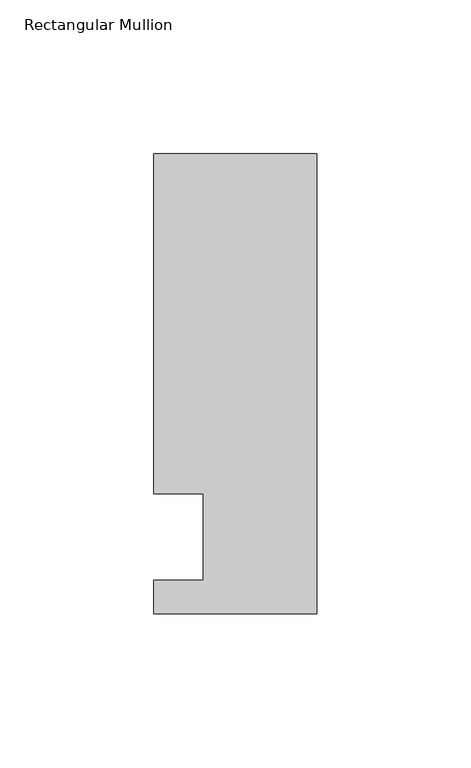
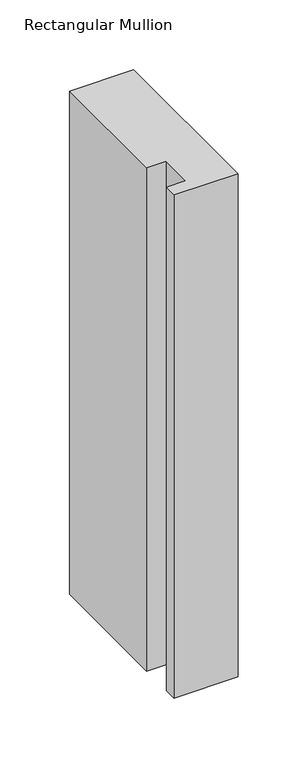
"""IFC4 building model written with IfcOpenShell, lengths in millimetres: member geometry, Rectangular Mullion."""

from ifc_helpers import new_model, si_unit, frame, origin, place, context, project, spatial, polyline, outline, extrude, source, transform, mapped, element, save


def rectangular_mullion_d7314141(model_context):
    return source(origin(), model_context, "Body", "SweptSolid", [
        extrude(outline(polyline([(-37.0, -13.9999453), (-37.0, 14.0000547), (-53.0, 14.0000547), (-53.0, 124.5000547), (0.0, 124.5000547), (0.0, -24.9999453), (-53.0, -24.9999453), (-53.0, -13.9999453), (-37.0, -13.9999453)])), frame((0.0, 0.0, -440.0657894), z_axis=(0.0, 0.0, 1.0), x_axis=(1.0, 0.0, 0.0)), (0.0, 0.0, 1.0), 440.0657894),
    ])


if __name__ == "__main__":
    model = new_model("IFC4")
    model_context = context("Model", 3, world=origin())
    ifc_project = project(units=[si_unit("LENGTHUNIT", "METRE", prefix="MILLI")], contexts=[model_context])
    site = spatial("IfcSite", under=ifc_project)
    building = spatial("IfcBuilding", under=site)
    placement = place(None, origin())
    rectangular_mullion_shape = rectangular_mullion_d7314141(model_context)
    element("IfcMember", 1, ObjectType="Rectangular Mullion", at=placement, inside=building, context=model_context, shape_type="MappedRepresentation", body=[
        mapped(rectangular_mullion_shape, transform((0.0, 0.0, 0.0), x_axis=(1.0, 0.0, 0.0), y_axis=(0.0, 1.0, 0.0), z_axis=(0.0, 0.0, 1.0))),
    ])
    save(model, "model.ifc")
